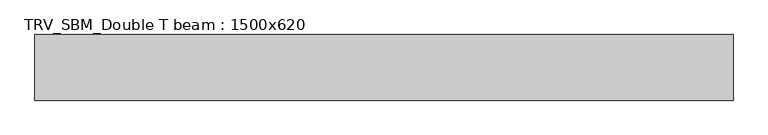
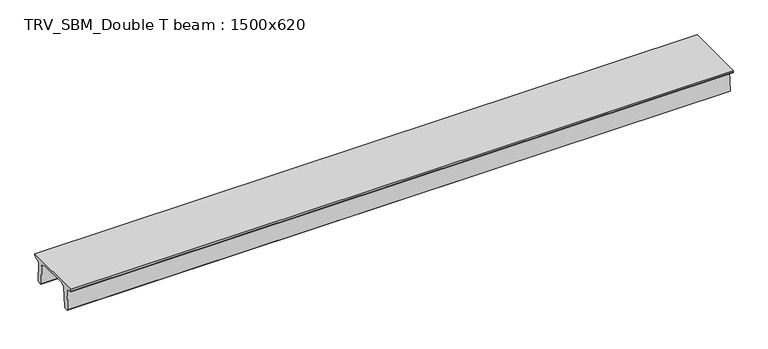
"""IFC4 building model written with IfcOpenShell, lengths in millimetres: beam geometry, TRV_SBM_Double T beam : 1500x620."""

from ifc_helpers import new_model, si_unit, frame, origin, place, context, project, spatial, polyline, outline, extrude, source, transform, mapped, element, save


def trv_sbm_double_t_beam_1500x620_67041a7d(model_context):
    return source(origin(), model_context, "Body", "SweptSolid", [
        extrude(outline(polyline([(-765.0, 215.0), (-765.0, 260.0), (735.0, 260.0), (735.0, 215.0), (728.2094488, 201.315559), (578.0626443, 140.6523122), (594.8277662, -339.4379646), (574.2657308, -360.0), (484.2657308, -360.0), (464.786332, -340.5206011), (447.8600761, 144.18395), (338.3237744, 210.0), (-367.4555014, 210.0), (-476.5389732, 151.9992892), (-507.0080378, -339.3850967), (-527.622941, -360.0), (-615.122941, -360.0), (-637.1143055, -338.0086356), (-606.1572167, 162.687806), (-761.3068466, 204.260024), (-765.0, 215.0)])), frame((-7982.5, 0.0, 0.0), z_axis=(1.0, 0.0, 0.0), x_axis=(0.0, 1.0, 0.0)), (0.0, 0.0, 1.0), 15965.0),
    ])


if __name__ == "__main__":
    model = new_model("IFC4")
    model_context = context("Model", 3, world=origin())
    ifc_project = project(units=[si_unit("LENGTHUNIT", "METRE", prefix="MILLI")], contexts=[model_context])
    site = spatial("IfcSite", under=ifc_project)
    building = spatial("IfcBuilding", under=site)
    placement = place(None, origin())
    trv_sbm_double_t_beam_1500x620_shape = trv_sbm_double_t_beam_1500x620_67041a7d(model_context)
    element("IfcBeam", 1, ObjectType="TRV_SBM_Double T beam : 1500x620", at=placement, inside=building, context=model_context, shape_type="MappedRepresentation", body=[
        mapped(trv_sbm_double_t_beam_1500x620_shape, transform((0.0, 0.0, 0.0), x_axis=(1.0, 0.0, 0.0), y_axis=(0.0, 1.0, 0.0), z_axis=(0.0, 0.0, 1.0))),
    ])
    save(model, "model.ifc")
